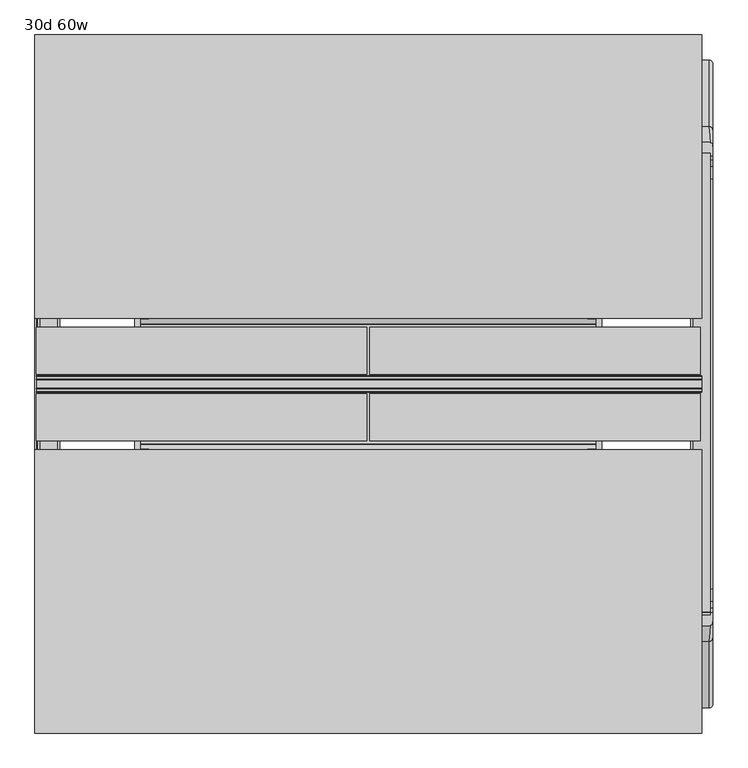
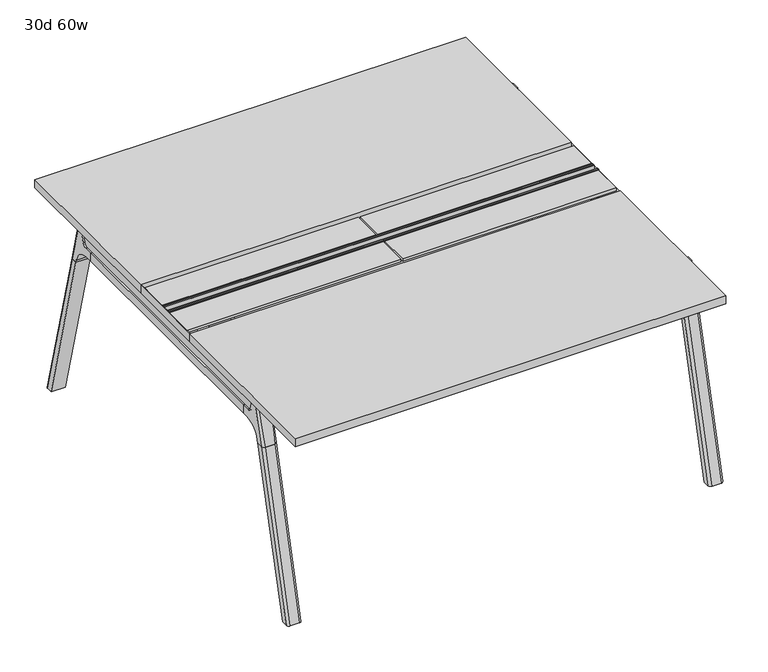
"""IFC4 building model written with IfcOpenShell, lengths in millimetres: furniture geometry, 30d 60w."""

from ifc_helpers import new_model, si_unit, point, frame, frame_2d, origin, place, context, project, spatial, polyline, circle_curve, ellipse_curve, trimmed, segment, composite_curve, outline, extrude, source, transform, mapped, element, save
from ifc_brep_helpers import plane_surface, cylinder_surface, revolved_surface, advanced_brep


def furniture_30d_60w_cb320b02(model_context):
    return source(origin(), model_context, "Body", "SolidModel", [
        extrude(outline(polyline([(-348.9784469, 559.4636683), (-364.040663, 627.7843353), (-35.4662901, 627.7843353), (-50.5285062, 559.4636683), (-46.7502281, 557.2647146), (-46.7502281, 549.3667827), (-62.6252238, 521.8704736), (-336.8817293, 521.8704736), (-352.756725, 549.3667827), (-352.756725, 557.2647146), (-348.9784469, 559.4636683)])), frame((736.6, 0.0, 0.0), z_axis=(1.0, 0.0, 0.0), x_axis=(0.0, 1.0, 0.0)), (0.0, 0.0, 1.0), 12.7),
        extrude(outline(polyline([(-348.9784469, 559.4636683), (-364.040663, 627.7843353), (-35.4662901, 627.7843353), (-50.5285062, 559.4636683), (-46.7502281, 557.2647146), (-46.7502281, 549.3667827), (-62.6252238, 521.8704736), (-336.8817293, 521.8704736), (-352.756725, 549.3667827), (-352.756725, 557.2647146), (-348.9784469, 559.4636683)])), frame((-317.5, 0.0, 0.0), z_axis=(1.0, 0.0, 0.0), x_axis=(0.0, 1.0, 0.0)), (0.0, 0.0, 1.0), 12.7),
        extrude(outline(polyline([(-18.0090763, 698.5), (3.7767266, 698.5), (3.7767266, 697.2935087), (-17.4495292, 697.2935087), (-19.0070753, 695.7359626), (-49.1186716, 559.1528512), (-50.5285062, 559.4636683), (-20.404074, 696.1050023), (-18.0090763, 698.5)])), frame((-317.5, 0.0, 0.0), z_axis=(1.0, 0.0, 0.0), x_axis=(0.0, 1.0, 0.0)), (0.0, 0.0, 1.0), 31.8008024),
        extrude(outline(polyline([(-381.4978768, 698.5), (-379.1028791, 696.1050023), (-348.9784469, 559.4636683), (-350.3882815, 559.1528512), (-380.4998778, 695.7359626), (-382.0574239, 697.2935087), (-403.2836797, 697.2935087), (-403.2836797, 698.5), (-381.4978768, 698.5)])), frame((-317.5, 0.0, 0.0), z_axis=(1.0, 0.0, 0.0), x_axis=(0.0, 1.0, 0.0)), (0.0, 0.0, 1.0), 31.8008024),
        extrude(outline(polyline([(-18.0090763, 698.5), (3.7767266, 698.5), (3.7767266, 697.2935087), (-17.4495292, 697.2935087), (-19.0070753, 695.7359626), (-49.1186716, 559.1528512), (-50.5285062, 559.4636683), (-20.404074, 696.1050023), (-18.0090763, 698.5)])), frame((717.4991976, 0.0, 0.0), z_axis=(1.0, 0.0, 0.0), x_axis=(0.0, 1.0, 0.0)), (0.0, 0.0, 1.0), 31.8008024),
        extrude(outline(polyline([(-381.4978768, 698.5), (-379.1028791, 696.1050023), (-348.9784469, 559.4636683), (-350.3882815, 559.1528512), (-380.4998778, 695.7359626), (-382.0574239, 697.2935087), (-403.2836797, 697.2935087), (-403.2836797, 698.5), (-381.4978768, 698.5)])), frame((717.4991976, 0.0, 0.0), z_axis=(1.0, 0.0, 0.0), x_axis=(0.0, 1.0, 0.0)), (0.0, 0.0, 1.0), 31.8008024),
        extrude(outline(polyline([(-353.550475, 557.5934966), (-351.518477, 559.6254947), (-350.957211, 559.0642287), (-352.756725, 557.2647146), (-352.756725, 549.3667827), (-352.5317745, 548.5272622), (-337.4390802, 522.3859395), (-336.0037101, 521.5572272), (-63.503243, 521.5572272), (-62.0678729, 522.3859395), (-46.9751786, 548.5272622), (-46.7502281, 549.3667827), (-46.7502281, 557.2647146), (-48.5497421, 559.0642287), (-47.9884761, 559.6254947), (-45.9564781, 557.5934966), (-45.9564781, 549.2622828), (-46.2355217, 548.2208856), (-61.4868074, 521.8048744), (-63.2905581, 520.7634772), (-336.216395, 520.7634772), (-338.0201457, 521.8048744), (-353.2714314, 548.2208856), (-353.550475, 549.2622828), (-353.550475, 557.5934966)])), frame((-317.4492037, 0.0, 0.0), z_axis=(1.0, 0.0, 0.0), x_axis=(0.0, 1.0, 0.0)), (0.0, 0.0, 1.0), 1066.7492037),
        extrude(outline(polyline([(-218.8034766, 715.9625), (-218.8034766, 741.3625), (-217.2159766, 741.3625), (-217.2159766, 720.725), (-210.8659766, 720.725), (-210.8659766, 741.3625), (-209.2784766, 741.3625), (-209.2784766, 717.55), (-190.2284766, 717.55), (-190.2284766, 741.3625), (-188.6409766, 741.3625), (-188.6409766, 720.725), (-182.2909766, 720.725), (-182.2909766, 741.3625), (-180.7034766, 741.3625), (-180.7034766, 715.9625), (-218.8034766, 715.9625)])), frame((-542.925, 0.0, 0.0), z_axis=(1.0, 0.0, 0.0), x_axis=(0.0, 1.0, 0.0)), (0.0, 0.0, 1.0), 1520.825),
        extrude(outline(composite_curve([segment(polyline([(328.0902734, 711.2), (319.0321726, 677.3947076)]), True, "CONTINUOUS"), segment(trimmed(circle_curve(frame_2d((303.6981001, 681.5034599)), 15.875), [point((319.0321726, 677.3947076))], [point((303.6981001, 665.6284599))], False, "CARTESIAN"), True, "CONTINUOUS"), segment(polyline([(303.6981001, 665.6284599), (-703.2050533, 665.6284599)]), True, "CONTINUOUS"), segment(trimmed(circle_curve(frame_2d((-703.2050533, 681.5034599)), 15.875), [point((-703.2050533, 665.6284599))], [point((-718.5391258, 677.3947076))], False, "CARTESIAN"), True, "CONTINUOUS"), segment(polyline([(-718.5391258, 677.3947076), (-727.5972266, 711.2), (328.0902734, 711.2)]), True, "CONTINUOUS")], self_intersect=False)), frame((958.85, 0.0, 0.0), z_axis=(1.0, 0.0, 0.0), x_axis=(0.0, 1.0, 0.0)), (0.0, 0.0, 1.0), 38.1),
        extrude(outline(polyline([(1003.3, 267.7652734), (1003.3, -667.2722266), (952.5, -667.2722266), (952.5, 267.7652734), (1003.3, 267.7652734)])), frame((0.0, 0.0, 635.6476591), z_axis=(0.0, 0.0, 1.0), x_axis=(1.0, 0.0, 0.0)), (0.0, 0.0, 1.0), 29.9808008),
        extrude(outline(composite_curve([segment(polyline([(328.0902734, 711.2), (319.0321726, 677.3947076)]), True, "CONTINUOUS"), segment(trimmed(circle_curve(frame_2d((303.6981001, 681.5034599)), 15.875), [point((319.0321726, 677.3947076))], [point((303.6981001, 665.6284599))], False, "CARTESIAN"), True, "CONTINUOUS"), segment(polyline([(303.6981001, 665.6284599), (-703.2050533, 665.6284599)]), True, "CONTINUOUS"), segment(trimmed(circle_curve(frame_2d((-703.2050533, 681.5034599)), 15.875), [point((-703.2050533, 665.6284599))], [point((-718.5391258, 677.3947076))], False, "CARTESIAN"), True, "CONTINUOUS"), segment(polyline([(-718.5391258, 677.3947076), (-727.5972266, 711.2), (328.0902734, 711.2)]), True, "CONTINUOUS")], self_intersect=False)), frame((-533.4, 0.0, 0.0), z_axis=(1.0, 0.0, 0.0), x_axis=(0.0, 1.0, 0.0)), (0.0, 0.0, 1.0), 38.1),
        extrude(outline(polyline([(-488.95, 267.7652734), (-488.95, -667.2722266), (-539.75, -667.2722266), (-539.75, 267.7652734), (-488.95, 267.7652734)])), frame((0.0, 0.0, 635.6476591), z_axis=(0.0, 0.0, 1.0), x_axis=(1.0, 0.0, 0.0)), (0.0, 0.0, 1.0), 29.9808008),
        advanced_brep(
        [(952.5, -721.2935553, 711.2), (952.5, -712.2354545, 677.3947076), (952.5, -696.901382, 665.6284599), (952.5, -667.2722266, 665.6284599), (952.5, -667.2722266, 635.6476591), (952.5, -690.1434588, 635.6476591), (952.5, -754.5465633, 586.2294189), (952.5, -757.1047754, 576.6820411), (952.5, -778.2087453, 576.6820411), (952.5, -742.7601017, 711.2), (1003.3, -757.1047754, 576.6820411), (1003.3, -754.5465633, 586.2294189), (1003.3, -690.1434588, 635.6476591), (1003.3, -667.2722266, 635.6476591), (1003.3, -667.2722266, 665.6284599), (1003.3, -696.901382, 665.6284599), (1003.3, -712.2354545, 677.3947076), (1003.3, -721.2935553, 711.2), (1003.3, -742.7601017, 711.2), (1003.3, -778.2087453, 576.6820411), (958.7638162, -752.0149462, 711.2), (997.0361838, -752.0149462, 711.2), (993.775, -788.0589247, 576.6820411), (962.025, -788.0589247, 576.6820411)],
        [
            (0, 1),
            (1, 2, circle_curve(frame((952.5, -696.901382, 681.5034599), z_axis=(1.0, 0.0, 0.0), x_axis=(0.0, -1.0, 0.0)), 15.875)),
            (2, 3),
            (3, 4),
            (4, 5),
            (5, 6, circle_curve(frame((952.5, -690.1434588, 568.9726591), z_axis=(1.0, 0.0, 0.0), x_axis=(0.0, -1.0, 0.0)), 66.675)),
            (6, 7),
            (7, 8),
            (8, 9),
            (9, 0),
            (10, 11),
            (11, 12, circle_curve(frame((1003.3, -690.1434588, 568.9726591), z_axis=(-1.0, 0.0, 0.0), x_axis=(0.0, -1.0, 0.0)), 66.675)),
            (12, 13),
            (13, 14),
            (14, 15),
            (15, 16, circle_curve(frame((1003.3, -696.901382, 681.5034599), z_axis=(-1.0, 0.0, 0.0), x_axis=(0.0, -1.0, 0.0)), 15.875)),
            (16, 17),
            (17, 18),
            (18, 19),
            (19, 10),
            (17, 0),
            (9, 20, ellipse_curve(frame((962.025, -742.7601017, 711.2), z_axis=(0.0, 0.0, 1.0), x_axis=(0.0, -1.0, 0.0)), 9.8501793, 9.525)),
            (20, 21),
            (21, 18, ellipse_curve(frame((993.775, -742.7601017, 711.2), z_axis=(0.0, 0.0, 1.0), x_axis=(0.0, -1.0, 0.0)), 9.8501793, 9.525)),
            (16, 1),
            (15, 2),
            (14, 3),
            (13, 4),
            (12, 5),
            (11, 6),
            (10, 7),
            (19, 22, ellipse_curve(frame((993.775, -778.2087453, 576.6820411), z_axis=(0.0, 0.0, -1.0), x_axis=(0.0, -1.0, 0.0)), 9.8501793, 9.525)),
            (22, 23),
            (23, 8, ellipse_curve(frame((962.025, -778.2087453, 576.6820411), z_axis=(0.0, 0.0, -1.0), x_axis=(0.0, -1.0, 0.0)), 9.8501793, 9.525)),
            (20, 23, ellipse_curve(frame((962.025, -191.6892106, 2802.3641142), z_axis=(0.0, -0.9659258262890684, 0.2588190451025206), x_axis=(0.0, -0.2588190451025206, -0.9659258262890684)), 2304.1956354, 9.525)),
            (22, 21, ellipse_curve(frame((993.775, -191.6892106, 2802.3641142), z_axis=(0.0, -0.9659258262890684, 0.2588190451025206), x_axis=(0.0, -0.2588190451025206, -0.9659258262890684)), 2304.1956354, 9.525)),
        ],
        [
            plane_surface(frame((952.5, -752.0149462, 711.2), z_axis=(-1.0, 0.0, 0.0), x_axis=(0.0, 1.0, 0.0))),
            plane_surface(frame((1003.3, -752.0149462, 711.2), z_axis=(1.0, 0.0, 0.0), x_axis=(0.0, -1.0, 0.0))),
            plane_surface(frame((952.5, -752.0149462, 711.2), z_axis=(0.0, 0.0, 1.0), x_axis=(1.0, 0.0, 0.0))),
            plane_surface(frame((952.5, -721.2935553, 711.2), z_axis=(0.0, 0.9659258262890683, 0.2588190451025207), x_axis=(1.0, 0.0, 0.0))),
            revolved_surface(polyline([(1003.3, -712.776382, 681.5034599), (952.5, -712.776382, 681.5034599)]), (1003.3, -696.901382, 681.5034599), (1.0, 0.0, 0.0)),
            plane_surface(frame((952.5, -696.901382, 665.6284599), z_axis=(0.0, 0.0, 1.0), x_axis=(1.0, 0.0, 0.0))),
            plane_surface(frame((952.5, -667.2722266, 665.6284599), z_axis=(0.0, 1.0, 0.0), x_axis=(1.0, 0.0, 0.0))),
            plane_surface(frame((952.5, -667.2722266, 635.6476591), z_axis=(0.0, 0.0, -1.0), x_axis=(1.0, 0.0, 0.0))),
            revolved_surface(polyline([(1003.3, -756.8184587999999, 568.9726591), (952.5, -756.8184587999999, 568.9726591)]), (1003.3, -690.1434588, 568.9726591), (1.0, 0.0, 0.0)),
            plane_surface(frame((952.5, -754.5465633, 586.2294189), z_axis=(0.0, 0.9659258262890693, -0.25881904510251696), x_axis=(1.0, 0.0, 0.0))),
            plane_surface(frame((952.5, -757.1047754, 576.6820411), z_axis=(0.0, 0.0, -1.0), x_axis=(1.0, 0.0, 0.0))),
            plane_surface(frame((952.5, -788.0589247, 576.6820411), z_axis=(0.0, -0.9659258262890684, 0.2588190451025206), x_axis=(1.0, 0.0, 0.0))),
            cylinder_surface(frame((962.025, -930.8176402, -2.4271979), z_axis=(0.0, -0.25482392474081483, -0.966987470125486), x_axis=(1.0, 0.0, 0.0)), 9.525),
            cylinder_surface(frame((993.775, -930.8176402, -2.4271979), z_axis=(0.0, -0.25482392474081483, -0.966987470125486), x_axis=(1.0, 0.0, 0.0)), 9.525),
        ],
        [
            (0, [[1, 2, 3, 4, 5, 6, 7, 8, 9, 10]]),
            (1, [[11, 12, 13, 14, 15, 16, 17, 18, 19, 20]]),
            (2, [[21, -10, 22, 23, 24, -18]]),
            (3, [[-1, -21, -17, 25]]),
            (4, [[-2, -25, -16, 26]]),
            (5, [[-3, -26, -15, 27]]),
            (6, [[-4, -27, -14, 28]]),
            (7, [[-5, -28, -13, 29]]),
            (8, [[-6, -29, -12, 30]]),
            (9, [[-7, -30, -11, 31]]),
            (10, [[-31, -20, 32, 33, 34, -8]]),
            (11, [[-23, 35, -33, 36]]),
            (12, [[-9, -34, -35, -22]]),
            (13, [[-19, -24, -36, -32]]),
        ],
    ),
        advanced_brep(
        [(952.5, -757.1047754, 576.6820411), (952.5, -909.0740466, 0.0), (952.5, -930.1780165, 0.0), (952.5, -778.2087453, 576.6820411), (1003.3, -909.0740466, 0.0), (1003.3, -757.1047754, 576.6820411), (1003.3, -778.2087453, 576.6820411), (1003.3, -930.1780165, 0.0), (962.025, -788.0589247, 576.6820411), (993.775, -788.0589247, 576.6820411), (993.775, -940.0281958, 0.0), (962.025, -940.0281958, 0.0)],
        [
            (0, 1),
            (1, 2),
            (2, 3),
            (3, 0),
            (4, 5),
            (5, 6),
            (6, 7),
            (7, 4),
            (5, 0),
            (3, 8, ellipse_curve(frame((962.025, -778.2087453, 576.6820411), z_axis=(0.0, 0.0, 1.0), x_axis=(0.0, -1.0, 0.0)), 9.8501793, 9.525)),
            (8, 9),
            (9, 6, ellipse_curve(frame((993.775, -778.2087453, 576.6820411), z_axis=(0.0, 0.0, 1.0), x_axis=(0.0, -1.0, 0.0)), 9.8501793, 9.525)),
            (4, 1),
            (7, 10, ellipse_curve(frame((993.775, -930.1780165, 0.0), z_axis=(0.0, 0.0, -1.0), x_axis=(0.0, -1.0, 0.0)), 9.8501793, 9.525)),
            (10, 11),
            (11, 2, ellipse_curve(frame((962.025, -930.1780165, 0.0), z_axis=(0.0, 0.0, -1.0), x_axis=(0.0, -1.0, 0.0)), 9.8501793, 9.525)),
            (8, 11),
            (10, 9),
        ],
        [
            plane_surface(frame((952.5, -788.0589247, 576.6820411), z_axis=(-1.0, 0.0, 0.0), x_axis=(0.0, 1.0, 0.0))),
            plane_surface(frame((1003.3, -788.0589247, 576.6820411), z_axis=(1.0, 0.0, 0.0), x_axis=(0.0, -1.0, 0.0))),
            plane_surface(frame((952.5, -788.0589247, 576.6820411), z_axis=(0.0, 0.0, 1.0), x_axis=(1.0, 0.0, 0.0))),
            plane_surface(frame((952.5, -757.1047754, 576.6820411), z_axis=(0.0, 0.9669874701254844, -0.2548239247408208), x_axis=(1.0, 0.0, 0.0))),
            plane_surface(frame((952.5, -909.0740466, 0.0), z_axis=(0.0, 0.0, -1.0), x_axis=(1.0, 0.0, 0.0))),
            plane_surface(frame((952.5, -940.0281958, 0.0), z_axis=(0.0, -0.9669874701254855, 0.2548239247408166), x_axis=(1.0, 0.0, 0.0))),
            cylinder_surface(frame((962.025, -930.8176402, -2.4271979), z_axis=(0.0, -0.25482392474081483, -0.966987470125486), x_axis=(1.0, 0.0, 0.0)), 9.525),
            cylinder_surface(frame((993.775, -930.8176402, -2.4271979), z_axis=(0.0, -0.25482392474081483, -0.966987470125486), x_axis=(1.0, 0.0, 0.0)), 9.525),
        ],
        [
            (0, [[1, 2, 3, 4]]),
            (1, [[5, 6, 7, 8]]),
            (2, [[9, -4, 10, 11, 12, -6]]),
            (3, [[-1, -9, -5, 13]]),
            (4, [[-13, -8, 14, 15, 16, -2]]),
            (5, [[-11, 17, -15, 18]]),
            (6, [[-3, -16, -17, -10]]),
            (7, [[-7, -12, -18, -14]]),
        ],
    ),
        advanced_brep(
        [(1003.3, 321.7866022, 711.2), (1003.3, 312.7285014, 677.3947076), (1003.3, 297.3944289, 665.6284599), (1003.3, 267.7652734, 665.6284599), (1003.3, 267.7652734, 635.6476591), (1003.3, 290.6365057, 635.6476591), (1003.3, 355.0396101, 586.2294189), (1003.3, 357.5978223, 576.6820411), (1003.3, 378.7017922, 576.6820411), (1003.3, 343.2531486, 711.2), (952.5, 357.5978223, 576.6820411), (952.5, 355.0396101, 586.2294189), (952.5, 290.6365057, 635.6476591), (952.5, 267.7652734, 635.6476591), (952.5, 267.7652734, 665.6284599), (952.5, 297.3944289, 665.6284599), (952.5, 312.7285014, 677.3947076), (952.5, 321.7866022, 711.2), (952.5, 343.2531486, 711.2), (952.5, 378.7017922, 576.6820411), (997.0361838, 352.5079931, 711.2), (958.7638162, 352.5079931, 711.2), (962.025, 388.5519716, 576.6820411), (993.775, 388.5519716, 576.6820411)],
        [
            (0, 1),
            (1, 2, circle_curve(frame((1003.3, 297.3944289, 681.5034599), z_axis=(-1.0, 0.0, 0.0), x_axis=(0.0, 1.0, 0.0)), 15.875)),
            (2, 3),
            (3, 4),
            (4, 5),
            (5, 6, circle_curve(frame((1003.3, 290.6365057, 568.9726591), z_axis=(-1.0, 0.0, 0.0), x_axis=(0.0, 1.0, 0.0)), 66.675)),
            (6, 7),
            (7, 8),
            (8, 9),
            (9, 0),
            (10, 11),
            (11, 12, circle_curve(frame((952.5, 290.6365057, 568.9726591), z_axis=(1.0, 0.0, 0.0), x_axis=(0.0, 1.0, 0.0)), 66.675)),
            (12, 13),
            (13, 14),
            (14, 15),
            (15, 16, circle_curve(frame((952.5, 297.3944289, 681.5034599), z_axis=(1.0, 0.0, 0.0), x_axis=(0.0, 1.0, 0.0)), 15.875)),
            (16, 17),
            (17, 18),
            (18, 19),
            (19, 10),
            (17, 0),
            (9, 20, ellipse_curve(frame((993.775, 343.2531486, 711.2), z_axis=(0.0, 0.0, 1.0), x_axis=(0.0, 1.0, 0.0)), 9.8501793, 9.525)),
            (20, 21),
            (21, 18, ellipse_curve(frame((962.025, 343.2531486, 711.2), z_axis=(0.0, 0.0, 1.0), x_axis=(0.0, 1.0, 0.0)), 9.8501793, 9.525)),
            (16, 1),
            (15, 2),
            (14, 3),
            (13, 4),
            (12, 5),
            (11, 6),
            (10, 7),
            (19, 22, ellipse_curve(frame((962.025, 378.7017922, 576.6820411), z_axis=(0.0, 0.0, -1.0), x_axis=(0.0, 1.0, 0.0)), 9.8501793, 9.525)),
            (22, 23),
            (23, 8, ellipse_curve(frame((993.775, 378.7017922, 576.6820411), z_axis=(0.0, 0.0, -1.0), x_axis=(0.0, 1.0, 0.0)), 9.8501793, 9.525)),
            (20, 23, ellipse_curve(frame((993.775, -207.8177425, 2802.3641142), z_axis=(0.0, 0.9659258262890684, 0.2588190451025206), x_axis=(0.0, 0.2588190451025206, -0.9659258262890684)), 2304.1956354, 9.525)),
            (22, 21, ellipse_curve(frame((962.025, -207.8177425, 2802.3641142), z_axis=(0.0, 0.9659258262890684, 0.2588190451025206), x_axis=(0.0, 0.2588190451025206, -0.9659258262890684)), 2304.1956354, 9.525)),
        ],
        [
            plane_surface(frame((1003.3, 352.5079931, 711.2), z_axis=(1.0, 0.0, 0.0), x_axis=(0.0, -1.0, 0.0))),
            plane_surface(frame((952.5, 352.5079931, 711.2), z_axis=(-1.0, 0.0, 0.0), x_axis=(0.0, 1.0, 0.0))),
            plane_surface(frame((1003.3, 352.5079931, 711.2), z_axis=(0.0, 0.0, 1.0), x_axis=(-1.0, 0.0, 0.0))),
            plane_surface(frame((1003.3, 321.7866022, 711.2), z_axis=(0.0, -0.9659258262890683, 0.2588190451025207), x_axis=(-1.0, 0.0, 0.0))),
            revolved_surface(polyline([(952.5, 313.2694289, 681.5034599), (1003.3, 313.2694289, 681.5034599)]), (952.5, 297.3944289, 681.5034599), (-1.0, 0.0, 0.0)),
            plane_surface(frame((1003.3, 297.3944289, 665.6284599), z_axis=(0.0, 0.0, 1.0), x_axis=(-1.0, 0.0, 0.0))),
            plane_surface(frame((1003.3, 267.7652734, 665.6284599), z_axis=(0.0, -1.0, 0.0), x_axis=(-1.0, 0.0, 0.0))),
            plane_surface(frame((1003.3, 267.7652734, 635.6476591), z_axis=(0.0, 0.0, -1.0), x_axis=(-1.0, 0.0, 0.0))),
            revolved_surface(polyline([(952.5, 357.3115057, 568.9726591), (1003.3, 357.3115057, 568.9726591)]), (952.5, 290.6365057, 568.9726591), (-1.0, 0.0, 0.0)),
            plane_surface(frame((1003.3, 355.0396101, 586.2294189), z_axis=(0.0, -0.9659258262890693, -0.25881904510251696), x_axis=(-1.0, 0.0, 0.0))),
            plane_surface(frame((1003.3, 357.5978223, 576.6820411), z_axis=(0.0, 0.0, -1.0), x_axis=(-1.0, 0.0, 0.0))),
            plane_surface(frame((1003.3, 388.5519716, 576.6820411), z_axis=(0.0, 0.9659258262890684, 0.2588190451025206), x_axis=(-1.0, 0.0, 0.0))),
            cylinder_surface(frame((993.775, 531.3106871, -2.4271979), z_axis=(0.0, 0.25482392474081483, -0.966987470125486), x_axis=(-1.0, 0.0, 0.0)), 9.525),
            cylinder_surface(frame((962.025, 531.3106871, -2.4271979), z_axis=(0.0, 0.25482392474081483, -0.966987470125486), x_axis=(-1.0, 0.0, 0.0)), 9.525),
        ],
        [
            (0, [[1, 2, 3, 4, 5, 6, 7, 8, 9, 10]]),
            (1, [[11, 12, 13, 14, 15, 16, 17, 18, 19, 20]]),
            (2, [[21, -10, 22, 23, 24, -18]]),
            (3, [[-1, -21, -17, 25]]),
            (4, [[-2, -25, -16, 26]]),
            (5, [[-3, -26, -15, 27]]),
            (6, [[-4, -27, -14, 28]]),
            (7, [[-5, -28, -13, 29]]),
            (8, [[-6, -29, -12, 30]]),
            (9, [[-7, -30, -11, 31]]),
            (10, [[-31, -20, 32, 33, 34, -8]]),
            (11, [[-23, 35, -33, 36]]),
            (12, [[-9, -34, -35, -22]]),
            (13, [[-19, -24, -36, -32]]),
        ],
    ),
        advanced_brep(
        [(1003.3, 357.5978223, 576.6820411), (1003.3, 509.5670935, 0.0), (1003.3, 530.6710634, 0.0), (1003.3, 378.7017922, 576.6820411), (952.5, 509.5670935, 0.0), (952.5, 357.5978223, 576.6820411), (952.5, 378.7017922, 576.6820411), (952.5, 530.6710634, 0.0), (993.775, 388.5519716, 576.6820411), (962.025, 388.5519716, 576.6820411), (962.025, 540.5212427, 0.0), (993.775, 540.5212427, 0.0)],
        [
            (0, 1),
            (1, 2),
            (2, 3),
            (3, 0),
            (4, 5),
            (5, 6),
            (6, 7),
            (7, 4),
            (5, 0),
            (3, 8, ellipse_curve(frame((993.775, 378.7017922, 576.6820411), z_axis=(0.0, 0.0, 1.0), x_axis=(0.0, 1.0, 0.0)), 9.8501793, 9.525)),
            (8, 9),
            (9, 6, ellipse_curve(frame((962.025, 378.7017922, 576.6820411), z_axis=(0.0, 0.0, 1.0), x_axis=(0.0, 1.0, 0.0)), 9.8501793, 9.525)),
            (4, 1),
            (7, 10, ellipse_curve(frame((962.025, 530.6710634, 0.0), z_axis=(0.0, 0.0, -1.0), x_axis=(0.0, 1.0, 0.0)), 9.8501793, 9.525)),
            (10, 11),
            (11, 2, ellipse_curve(frame((993.775, 530.6710634, 0.0), z_axis=(0.0, 0.0, -1.0), x_axis=(0.0, 1.0, 0.0)), 9.8501793, 9.525)),
            (8, 11),
            (10, 9),
        ],
        [
            plane_surface(frame((1003.3, 388.5519716, 576.6820411), z_axis=(1.0, 0.0, 0.0), x_axis=(0.0, -1.0, 0.0))),
            plane_surface(frame((952.5, 388.5519716, 576.6820411), z_axis=(-1.0, 0.0, 0.0), x_axis=(0.0, 1.0, 0.0))),
            plane_surface(frame((1003.3, 388.5519716, 576.6820411), z_axis=(0.0, 0.0, 1.0), x_axis=(-1.0, 0.0, 0.0))),
            plane_surface(frame((1003.3, 357.5978223, 576.6820411), z_axis=(0.0, -0.9669874701254844, -0.2548239247408208), x_axis=(-1.0, 0.0, 0.0))),
            plane_surface(frame((1003.3, 509.5670935, 0.0), z_axis=(0.0, 0.0, -1.0), x_axis=(-1.0, 0.0, 0.0))),
            plane_surface(frame((1003.3, 540.5212427, 0.0), z_axis=(0.0, 0.9669874701254855, 0.2548239247408166), x_axis=(-1.0, 0.0, 0.0))),
            cylinder_surface(frame((993.775, 531.3106871, -2.4271979), z_axis=(0.0, 0.25482392474081483, -0.966987470125486), x_axis=(-1.0, 0.0, 0.0)), 9.525),
            cylinder_surface(frame((962.025, 531.3106871, -2.4271979), z_axis=(0.0, 0.25482392474081483, -0.966987470125486), x_axis=(-1.0, 0.0, 0.0)), 9.525),
        ],
        [
            (0, [[1, 2, 3, 4]]),
            (1, [[5, 6, 7, 8]]),
            (2, [[9, -4, 10, 11, 12, -6]]),
            (3, [[-1, -9, -5, 13]]),
            (4, [[-13, -8, 14, 15, 16, -2]]),
            (5, [[-11, 17, -15, 18]]),
            (6, [[-3, -16, -17, -10]]),
            (7, [[-7, -12, -18, -14]]),
        ],
    ),
        advanced_brep(
        [(-488.95, 321.7866022, 711.2), (-488.95, 312.7285014, 677.3947076), (-488.95, 297.3944289, 665.6284599), (-488.95, 267.7652734, 665.6284599), (-488.95, 267.7652734, 635.6476591), (-488.95, 290.6365057, 635.6476591), (-488.95, 355.0396101, 586.2294189), (-488.95, 357.5978223, 576.6820411), (-488.95, 378.7017922, 576.6820411), (-488.95, 343.2531486, 711.2), (-539.75, 357.5978223, 576.6820411), (-539.75, 355.0396101, 586.2294189), (-539.75, 290.6365057, 635.6476591), (-539.75, 267.7652734, 635.6476591), (-539.75, 267.7652734, 665.6284599), (-539.75, 297.3944289, 665.6284599), (-539.75, 312.7285014, 677.3947076), (-539.75, 321.7866022, 711.2), (-539.75, 343.2531486, 711.2), (-539.75, 378.7017922, 576.6820411), (-495.2138162, 352.5079931, 711.2), (-533.4861838, 352.5079931, 711.2), (-530.225, 388.5519716, 576.6820411), (-498.475, 388.5519716, 576.6820411)],
        [
            (0, 1),
            (1, 2, circle_curve(frame((-488.95, 297.3944289, 681.5034599), z_axis=(-1.0, 0.0, 0.0), x_axis=(0.0, 1.0, 0.0)), 15.875)),
            (2, 3),
            (3, 4),
            (4, 5),
            (5, 6, circle_curve(frame((-488.95, 290.6365057, 568.9726591), z_axis=(-1.0, 0.0, 0.0), x_axis=(0.0, 1.0, 0.0)), 66.675)),
            (6, 7),
            (7, 8),
            (8, 9),
            (9, 0),
            (10, 11),
            (11, 12, circle_curve(frame((-539.75, 290.6365057, 568.9726591), z_axis=(1.0, 0.0, 0.0), x_axis=(0.0, 1.0, 0.0)), 66.675)),
            (12, 13),
            (13, 14),
            (14, 15),
            (15, 16, circle_curve(frame((-539.75, 297.3944289, 681.5034599), z_axis=(1.0, 0.0, 0.0), x_axis=(0.0, 1.0, 0.0)), 15.875)),
            (16, 17),
            (17, 18),
            (18, 19),
            (19, 10),
            (17, 0),
            (9, 20, ellipse_curve(frame((-498.475, 343.2531486, 711.2), z_axis=(0.0, 0.0, 1.0), x_axis=(0.0, 1.0, 0.0)), 9.8501793, 9.525)),
            (20, 21),
            (21, 18, ellipse_curve(frame((-530.225, 343.2531486, 711.2), z_axis=(0.0, 0.0, 1.0), x_axis=(0.0, 1.0, 0.0)), 9.8501793, 9.525)),
            (16, 1),
            (15, 2),
            (14, 3),
            (13, 4),
            (12, 5),
            (11, 6),
            (10, 7),
            (19, 22, ellipse_curve(frame((-530.225, 378.7017922, 576.6820411), z_axis=(0.0, 0.0, -1.0), x_axis=(0.0, 1.0, 0.0)), 9.8501793, 9.525)),
            (22, 23),
            (23, 8, ellipse_curve(frame((-498.475, 378.7017922, 576.6820411), z_axis=(0.0, 0.0, -1.0), x_axis=(0.0, 1.0, 0.0)), 9.8501793, 9.525)),
            (20, 23, ellipse_curve(frame((-498.475, -207.8177425, 2802.3641142), z_axis=(0.0, 0.9659258262890684, 0.2588190451025206), x_axis=(0.0, 0.2588190451025206, -0.9659258262890684)), 2304.1956354, 9.525)),
            (22, 21, ellipse_curve(frame((-530.225, -207.8177425, 2802.3641142), z_axis=(0.0, 0.9659258262890684, 0.2588190451025206), x_axis=(0.0, 0.2588190451025206, -0.9659258262890684)), 2304.1956354, 9.525)),
        ],
        [
            plane_surface(frame((-488.95, 352.5079931, 711.2), z_axis=(1.0, 0.0, 0.0), x_axis=(0.0, -1.0, 0.0))),
            plane_surface(frame((-539.75, 352.5079931, 711.2), z_axis=(-1.0, 0.0, 0.0), x_axis=(0.0, 1.0, 0.0))),
            plane_surface(frame((-488.95, 352.5079931, 711.2), z_axis=(0.0, 0.0, 1.0), x_axis=(-1.0, 0.0, 0.0))),
            plane_surface(frame((-488.95, 321.7866022, 711.2), z_axis=(0.0, -0.9659258262890683, 0.2588190451025207), x_axis=(-1.0, 0.0, 0.0))),
            revolved_surface(polyline([(-539.75, 313.2694289, 681.5034599), (-488.95, 313.2694289, 681.5034599)]), (-539.75, 297.3944289, 681.5034599), (-1.0, 0.0, 0.0)),
            plane_surface(frame((-488.95, 297.3944289, 665.6284599), z_axis=(0.0, 0.0, 1.0), x_axis=(-1.0, 0.0, 0.0))),
            plane_surface(frame((-488.95, 267.7652734, 665.6284599), z_axis=(0.0, -1.0, 0.0), x_axis=(-1.0, 0.0, 0.0))),
            plane_surface(frame((-488.95, 267.7652734, 635.6476591), z_axis=(0.0, 0.0, -1.0), x_axis=(-1.0, 0.0, 0.0))),
            revolved_surface(polyline([(-539.75, 357.3115057, 568.9726591), (-488.95, 357.3115057, 568.9726591)]), (-539.75, 290.6365057, 568.9726591), (-1.0, 0.0, 0.0)),
            plane_surface(frame((-488.95, 355.0396101, 586.2294189), z_axis=(0.0, -0.9659258262890693, -0.25881904510251696), x_axis=(-1.0, 0.0, 0.0))),
            plane_surface(frame((-488.95, 357.5978223, 576.6820411), z_axis=(0.0, 0.0, -1.0), x_axis=(-1.0, 0.0, 0.0))),
            plane_surface(frame((-488.95, 388.5519716, 576.6820411), z_axis=(0.0, 0.9659258262890684, 0.2588190451025206), x_axis=(-1.0, 0.0, 0.0))),
            cylinder_surface(frame((-498.475, 531.3106871, -2.4271979), z_axis=(0.0, 0.25482392474081483, -0.966987470125486), x_axis=(-1.0, 0.0, 0.0)), 9.525),
            cylinder_surface(frame((-530.225, 531.3106871, -2.4271979), z_axis=(0.0, 0.25482392474081483, -0.966987470125486), x_axis=(-1.0, 0.0, 0.0)), 9.525),
        ],
        [
            (0, [[1, 2, 3, 4, 5, 6, 7, 8, 9, 10]]),
            (1, [[11, 12, 13, 14, 15, 16, 17, 18, 19, 20]]),
            (2, [[21, -10, 22, 23, 24, -18]]),
            (3, [[-1, -21, -17, 25]]),
            (4, [[-2, -25, -16, 26]]),
            (5, [[-3, -26, -15, 27]]),
            (6, [[-4, -27, -14, 28]]),
            (7, [[-5, -28, -13, 29]]),
            (8, [[-6, -29, -12, 30]]),
            (9, [[-7, -30, -11, 31]]),
            (10, [[-31, -20, 32, 33, 34, -8]]),
            (11, [[-23, 35, -33, 36]]),
            (12, [[-9, -34, -35, -22]]),
            (13, [[-19, -24, -36, -32]]),
        ],
    ),
        advanced_brep(
        [(-488.95, 357.5978223, 576.6820411), (-488.95, 509.5670935, 0.0), (-488.95, 530.6710634, 0.0), (-488.95, 378.7017922, 576.6820411), (-539.75, 509.5670935, 0.0), (-539.75, 357.5978223, 576.6820411), (-539.75, 378.7017922, 576.6820411), (-539.75, 530.6710634, 0.0), (-498.475, 388.5519716, 576.6820411), (-530.225, 388.5519716, 576.6820411), (-530.225, 540.5212427, 0.0), (-498.475, 540.5212427, 0.0)],
        [
            (0, 1),
            (1, 2),
            (2, 3),
            (3, 0),
            (4, 5),
            (5, 6),
            (6, 7),
            (7, 4),
            (5, 0),
            (3, 8, ellipse_curve(frame((-498.475, 378.7017922, 576.6820411), z_axis=(0.0, 0.0, 1.0), x_axis=(0.0, 1.0, 0.0)), 9.8501793, 9.525)),
            (8, 9),
            (9, 6, ellipse_curve(frame((-530.225, 378.7017922, 576.6820411), z_axis=(0.0, 0.0, 1.0), x_axis=(0.0, 1.0, 0.0)), 9.8501793, 9.525)),
            (4, 1),
            (7, 10, ellipse_curve(frame((-530.225, 530.6710634, 0.0), z_axis=(0.0, 0.0, -1.0), x_axis=(0.0, 1.0, 0.0)), 9.8501793, 9.525)),
            (10, 11),
            (11, 2, ellipse_curve(frame((-498.475, 530.6710634, 0.0), z_axis=(0.0, 0.0, -1.0), x_axis=(0.0, 1.0, 0.0)), 9.8501793, 9.525)),
            (8, 11),
            (10, 9),
        ],
        [
            plane_surface(frame((-488.95, 388.5519716, 576.6820411), z_axis=(1.0, 0.0, 0.0), x_axis=(0.0, -1.0, 0.0))),
            plane_surface(frame((-539.75, 388.5519716, 576.6820411), z_axis=(-1.0, 0.0, 0.0), x_axis=(0.0, 1.0, 0.0))),
            plane_surface(frame((-488.95, 388.5519716, 576.6820411), z_axis=(0.0, 0.0, 1.0), x_axis=(-1.0, 0.0, 0.0))),
            plane_surface(frame((-488.95, 357.5978223, 576.6820411), z_axis=(0.0, -0.9669874701254844, -0.2548239247408208), x_axis=(-1.0, 0.0, 0.0))),
            plane_surface(frame((-488.95, 509.5670935, 0.0), z_axis=(0.0, 0.0, -1.0), x_axis=(-1.0, 0.0, 0.0))),
            plane_surface(frame((-488.95, 540.5212427, 0.0), z_axis=(0.0, 0.9669874701254855, 0.2548239247408166), x_axis=(-1.0, 0.0, 0.0))),
            cylinder_surface(frame((-498.475, 531.3106871, -2.4271979), z_axis=(0.0, 0.25482392474081483, -0.966987470125486), x_axis=(-1.0, 0.0, 0.0)), 9.525),
            cylinder_surface(frame((-530.225, 531.3106871, -2.4271979), z_axis=(0.0, 0.25482392474081483, -0.966987470125486), x_axis=(-1.0, 0.0, 0.0)), 9.525),
        ],
        [
            (0, [[1, 2, 3, 4]]),
            (1, [[5, 6, 7, 8]]),
            (2, [[9, -4, 10, 11, 12, -6]]),
            (3, [[-1, -9, -5, 13]]),
            (4, [[-13, -8, 14, 15, 16, -2]]),
            (5, [[-11, 17, -15, 18]]),
            (6, [[-3, -16, -17, -10]]),
            (7, [[-7, -12, -18, -14]]),
        ],
    ),
        advanced_brep(
        [(-539.75, -721.2935553, 711.2), (-539.75, -712.2354545, 677.3947076), (-539.75, -696.901382, 665.6284599), (-539.75, -667.2722266, 665.6284599), (-539.75, -667.2722266, 635.6476591), (-539.75, -690.1434588, 635.6476591), (-539.75, -754.5465633, 586.2294189), (-539.75, -757.1047754, 576.6820411), (-539.75, -778.2087453, 576.6820411), (-539.75, -742.7601017, 711.2), (-488.95, -757.1047754, 576.6820411), (-488.95, -754.5465633, 586.2294189), (-488.95, -690.1434588, 635.6476591), (-488.95, -667.2722266, 635.6476591), (-488.95, -667.2722266, 665.6284599), (-488.95, -696.901382, 665.6284599), (-488.95, -712.2354545, 677.3947076), (-488.95, -721.2935553, 711.2), (-488.95, -742.7601017, 711.2), (-488.95, -778.2087453, 576.6820411), (-533.4861838, -752.0149462, 711.2), (-495.2138162, -752.0149462, 711.2), (-498.475, -788.0589247, 576.6820411), (-530.225, -788.0589247, 576.6820411)],
        [
            (0, 1),
            (1, 2, circle_curve(frame((-539.75, -696.901382, 681.5034599), z_axis=(1.0, 0.0, 0.0), x_axis=(0.0, -1.0, 0.0)), 15.875)),
            (2, 3),
            (3, 4),
            (4, 5),
            (5, 6, circle_curve(frame((-539.75, -690.1434588, 568.9726591), z_axis=(1.0, 0.0, 0.0), x_axis=(0.0, -1.0, 0.0)), 66.675)),
            (6, 7),
            (7, 8),
            (8, 9),
            (9, 0),
            (10, 11),
            (11, 12, circle_curve(frame((-488.95, -690.1434588, 568.9726591), z_axis=(-1.0, 0.0, 0.0), x_axis=(0.0, -1.0, 0.0)), 66.675)),
            (12, 13),
            (13, 14),
            (14, 15),
            (15, 16, circle_curve(frame((-488.95, -696.901382, 681.5034599), z_axis=(-1.0, 0.0, 0.0), x_axis=(0.0, -1.0, 0.0)), 15.875)),
            (16, 17),
            (17, 18),
            (18, 19),
            (19, 10),
            (17, 0),
            (9, 20, ellipse_curve(frame((-530.225, -742.7601017, 711.2), z_axis=(0.0, 0.0, 1.0), x_axis=(0.0, -1.0, 0.0)), 9.8501793, 9.525)),
            (20, 21),
            (21, 18, ellipse_curve(frame((-498.475, -742.7601017, 711.2), z_axis=(0.0, 0.0, 1.0), x_axis=(0.0, -1.0, 0.0)), 9.8501793, 9.525)),
            (16, 1),
            (15, 2),
            (14, 3),
            (13, 4),
            (12, 5),
            (11, 6),
            (10, 7),
            (19, 22, ellipse_curve(frame((-498.475, -778.2087453, 576.6820411), z_axis=(0.0, 0.0, -1.0), x_axis=(0.0, -1.0, 0.0)), 9.8501793, 9.525)),
            (22, 23),
            (23, 8, ellipse_curve(frame((-530.225, -778.2087453, 576.6820411), z_axis=(0.0, 0.0, -1.0), x_axis=(0.0, -1.0, 0.0)), 9.8501793, 9.525)),
            (20, 23, ellipse_curve(frame((-530.225, -191.6892106, 2802.3641142), z_axis=(0.0, -0.9659258262890684, 0.2588190451025206), x_axis=(0.0, -0.2588190451025206, -0.9659258262890684)), 2304.1956354, 9.525)),
            (22, 21, ellipse_curve(frame((-498.475, -191.6892106, 2802.3641142), z_axis=(0.0, -0.9659258262890684, 0.2588190451025206), x_axis=(0.0, -0.2588190451025206, -0.9659258262890684)), 2304.1956354, 9.525)),
        ],
        [
            plane_surface(frame((-539.75, -752.0149462, 711.2), z_axis=(-1.0, 0.0, 0.0), x_axis=(0.0, 1.0, 0.0))),
            plane_surface(frame((-488.95, -752.0149462, 711.2), z_axis=(1.0, 0.0, 0.0), x_axis=(0.0, -1.0, 0.0))),
            plane_surface(frame((-539.75, -752.0149462, 711.2), z_axis=(0.0, 0.0, 1.0), x_axis=(1.0, 0.0, 0.0))),
            plane_surface(frame((-539.75, -721.2935553, 711.2), z_axis=(0.0, 0.9659258262890683, 0.2588190451025207), x_axis=(1.0, 0.0, 0.0))),
            revolved_surface(polyline([(-488.95, -712.776382, 681.5034599), (-539.75, -712.776382, 681.5034599)]), (-488.95, -696.901382, 681.5034599), (1.0, 0.0, 0.0)),
            plane_surface(frame((-539.75, -696.901382, 665.6284599), z_axis=(0.0, 0.0, 1.0), x_axis=(1.0, 0.0, 0.0))),
            plane_surface(frame((-539.75, -667.2722266, 665.6284599), z_axis=(0.0, 1.0, 0.0), x_axis=(1.0, 0.0, 0.0))),
            plane_surface(frame((-539.75, -667.2722266, 635.6476591), z_axis=(0.0, 0.0, -1.0), x_axis=(1.0, 0.0, 0.0))),
            revolved_surface(polyline([(-488.95, -756.8184587999999, 568.9726591), (-539.75, -756.8184587999999, 568.9726591)]), (-488.95, -690.1434588, 568.9726591), (1.0, 0.0, 0.0)),
            plane_surface(frame((-539.75, -754.5465633, 586.2294189), z_axis=(0.0, 0.9659258262890693, -0.25881904510251696), x_axis=(1.0, 0.0, 0.0))),
            plane_surface(frame((-539.75, -757.1047754, 576.6820411), z_axis=(0.0, 0.0, -1.0), x_axis=(1.0, 0.0, 0.0))),
            plane_surface(frame((-539.75, -788.0589247, 576.6820411), z_axis=(0.0, -0.9659258262890684, 0.2588190451025206), x_axis=(1.0, 0.0, 0.0))),
            cylinder_surface(frame((-530.225, -930.8176402, -2.4271979), z_axis=(0.0, -0.25482392474081483, -0.966987470125486), x_axis=(1.0, 0.0, 0.0)), 9.525),
            cylinder_surface(frame((-498.475, -930.8176402, -2.4271979), z_axis=(0.0, -0.25482392474081483, -0.966987470125486), x_axis=(1.0, 0.0, 0.0)), 9.525),
        ],
        [
            (0, [[1, 2, 3, 4, 5, 6, 7, 8, 9, 10]]),
            (1, [[11, 12, 13, 14, 15, 16, 17, 18, 19, 20]]),
            (2, [[21, -10, 22, 23, 24, -18]]),
            (3, [[-1, -21, -17, 25]]),
            (4, [[-2, -25, -16, 26]]),
            (5, [[-3, -26, -15, 27]]),
            (6, [[-4, -27, -14, 28]]),
            (7, [[-5, -28, -13, 29]]),
            (8, [[-6, -29, -12, 30]]),
            (9, [[-7, -30, -11, 31]]),
            (10, [[-31, -20, 32, 33, 34, -8]]),
            (11, [[-23, 35, -33, 36]]),
            (12, [[-9, -34, -35, -22]]),
            (13, [[-19, -24, -36, -32]]),
        ],
    ),
        advanced_brep(
        [(-539.75, -757.1047754, 576.6820411), (-539.75, -909.0740466, 0.0), (-539.75, -930.1780165, 0.0), (-539.75, -778.2087453, 576.6820411), (-488.95, -909.0740466, 0.0), (-488.95, -757.1047754, 576.6820411), (-488.95, -778.2087453, 576.6820411), (-488.95, -930.1780165, 0.0), (-530.225, -788.0589247, 576.6820411), (-498.475, -788.0589247, 576.6820411), (-498.475, -940.0281958, 0.0), (-530.225, -940.0281958, 0.0)],
        [
            (0, 1),
            (1, 2),
            (2, 3),
            (3, 0),
            (4, 5),
            (5, 6),
            (6, 7),
            (7, 4),
            (5, 0),
            (3, 8, ellipse_curve(frame((-530.225, -778.2087453, 576.6820411), z_axis=(0.0, 0.0, 1.0), x_axis=(0.0, -1.0, 0.0)), 9.8501793, 9.525)),
            (8, 9),
            (9, 6, ellipse_curve(frame((-498.475, -778.2087453, 576.6820411), z_axis=(0.0, 0.0, 1.0), x_axis=(0.0, -1.0, 0.0)), 9.8501793, 9.525)),
            (4, 1),
            (7, 10, ellipse_curve(frame((-498.475, -930.1780165, 0.0), z_axis=(0.0, 0.0, -1.0), x_axis=(0.0, -1.0, 0.0)), 9.8501793, 9.525)),
            (10, 11),
            (11, 2, ellipse_curve(frame((-530.225, -930.1780165, 0.0), z_axis=(0.0, 0.0, -1.0), x_axis=(0.0, -1.0, 0.0)), 9.8501793, 9.525)),
            (8, 11),
            (10, 9),
        ],
        [
            plane_surface(frame((-539.75, -788.0589247, 576.6820411), z_axis=(-1.0, 0.0, 0.0), x_axis=(0.0, 1.0, 0.0))),
            plane_surface(frame((-488.95, -788.0589247, 576.6820411), z_axis=(1.0, 0.0, 0.0), x_axis=(0.0, -1.0, 0.0))),
            plane_surface(frame((-539.75, -788.0589247, 576.6820411), z_axis=(0.0, 0.0, 1.0), x_axis=(1.0, 0.0, 0.0))),
            plane_surface(frame((-539.75, -757.1047754, 576.6820411), z_axis=(0.0, 0.9669874701254844, -0.2548239247408208), x_axis=(1.0, 0.0, 0.0))),
            plane_surface(frame((-539.75, -909.0740466, 0.0), z_axis=(0.0, 0.0, -1.0), x_axis=(1.0, 0.0, 0.0))),
            plane_surface(frame((-539.75, -940.0281958, 0.0), z_axis=(0.0, -0.9669874701254855, 0.2548239247408166), x_axis=(1.0, 0.0, 0.0))),
            cylinder_surface(frame((-530.225, -930.8176402, -2.4271979), z_axis=(0.0, -0.25482392474081483, -0.966987470125486), x_axis=(1.0, 0.0, 0.0)), 9.525),
            cylinder_surface(frame((-498.475, -930.8176402, -2.4271979), z_axis=(0.0, -0.25482392474081483, -0.966987470125486), x_axis=(1.0, 0.0, 0.0)), 9.525),
        ],
        [
            (0, [[1, 2, 3, 4]]),
            (1, [[5, 6, 7, 8]]),
            (2, [[9, -4, 10, 11, 12, -6]]),
            (3, [[-1, -9, -5, 13]]),
            (4, [[-13, -8, 14, 15, 16, -2]]),
            (5, [[-11, 17, -15, 18]]),
            (6, [[-3, -16, -17, -10]]),
            (7, [[-7, -12, -18, -14]]),
        ],
    ),
        extrude(outline(polyline([(-546.1, -49.7347266), (-546.1, 597.9652734), (977.9, 597.9652734), (977.9, -49.7347266), (-546.1, -49.7347266)])), frame((0.0, 0.0, 711.2), z_axis=(0.0, 0.0, 1.0), x_axis=(1.0, 0.0, 0.0)), (0.0, 0.0, 1.0), 30.1625),
        extrude(outline(polyline([(977.9, -349.7722266), (977.9, -997.4722266), (-546.1, -997.4722266), (-546.1, -349.7722266), (977.9, -349.7722266)])), frame((0.0, 0.0, 711.2), z_axis=(0.0, 0.0, 1.0), x_axis=(1.0, 0.0, 0.0)), (0.0, 0.0, 1.0), 30.1625),
        extrude(outline(polyline([(212.725, -69.5784766), (212.725, -177.5284766), (-542.925, -177.5284766), (-542.925, -69.5784766), (212.725, -69.5784766)])), frame((0.0, 0.0, 731.8375), z_axis=(0.0, 0.0, 1.0), x_axis=(1.0, 0.0, 0.0)), (0.0, 0.0, 1.0), 9.525),
        extrude(outline(polyline([(212.725, -221.9784766), (212.725, -329.9284766), (-542.925, -329.9284766), (-542.925, -221.9784766), (212.725, -221.9784766)])), frame((0.0, 0.0, 731.8375), z_axis=(0.0, 0.0, 1.0), x_axis=(1.0, 0.0, 0.0)), (0.0, 0.0, 1.0), 9.525),
        extrude(outline(polyline([(974.725, -69.5784766), (974.725, -177.5284766), (219.075, -177.5284766), (219.075, -69.5784766), (974.725, -69.5784766)])), frame((0.0, 0.0, 731.8375), z_axis=(0.0, 0.0, 1.0), x_axis=(1.0, 0.0, 0.0)), (0.0, 0.0, 1.0), 9.525),
        extrude(outline(polyline([(974.725, -221.9784766), (974.725, -329.9284766), (219.075, -329.9284766), (219.075, -221.9784766), (974.725, -221.9784766)])), frame((0.0, 0.0, 731.8375), z_axis=(0.0, 0.0, 1.0), x_axis=(1.0, 0.0, 0.0)), (0.0, 0.0, 1.0), 9.525),
        extrude(outline(polyline([(952.5, 9.7965234), (952.5, -21.9534766), (-488.95, -21.9534766), (-488.95, 9.7965234), (952.5, 9.7965234)])), frame((0.0, 0.0, 646.1125), z_axis=(0.0, 0.0, 1.0), x_axis=(1.0, 0.0, 0.0)), (0.0, 0.0, 1.0), 50.8),
        extrude(outline(polyline([(952.5, -377.5534766), (952.5, -409.3034766), (-488.95, -409.3034766), (-488.95, -377.5534766), (952.5, -377.5534766)])), frame((0.0, 0.0, 646.1125), z_axis=(0.0, 0.0, 1.0), x_axis=(1.0, 0.0, 0.0)), (0.0, 0.0, 1.0), 50.8),
        extrude(outline(polyline([(-542.925, -49.7347266), (-542.925, -349.7722266), (-546.1, -349.7722266), (-546.1, -49.7347266), (-542.925, -49.7347266)])), frame((0.0, 0.0, 711.2), z_axis=(0.0, 0.0, 1.0), x_axis=(1.0, 0.0, 0.0)), (0.0, 0.0, 1.0), 30.1625),
    ])


if __name__ == "__main__":
    model = new_model("IFC4")
    model_context = context("Model", 3, world=origin())
    ifc_project = project(units=[si_unit("LENGTHUNIT", "METRE", prefix="MILLI")], contexts=[model_context])
    site = spatial("IfcSite", under=ifc_project)
    building = spatial("IfcBuilding", under=site)
    placement = place(None, origin())
    furniture_30d_60w_shape = furniture_30d_60w_cb320b02(model_context)
    element("IfcFurniture", 1, ObjectType="30d 60w", at=placement, inside=building, context=model_context, shape_type="MappedRepresentation", body=[
        mapped(furniture_30d_60w_shape, transform((0.0, 0.0, 0.0), x_axis=(1.0, 0.0, 0.0), y_axis=(0.0, 1.0, 0.0), z_axis=(0.0, 0.0, 1.0))),
    ])
    save(model, "model.ifc")
